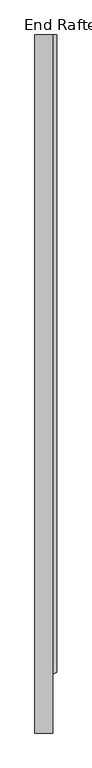
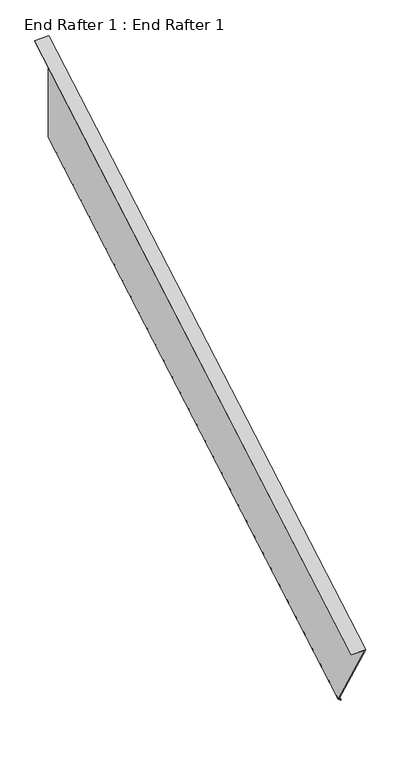
"""IFC4 building model written with IfcOpenShell, lengths in millimetres: proxy geometry, End Rafter 1 : End Rafter 1."""

from ifc_helpers import new_model, si_unit, origin, place, context, project, spatial, faceted_brep, source, transform, mapped, element, save


def end_rafter_1_end_rafter_1_416929cb(model_context):
    return source(origin(), model_context, "Body", "Brep", [
        faceted_brep([(12038.6774557, -13726.1374876, 602.0717491), (11997.4768877, -13726.1374876, 602.0717491), (11997.4768877, -13725.3422981, 600.6944404), (12037.1271862, -13725.3422981, 600.6944404), (12037.1271862, -13590.2438687, 366.6970966), (12046.6038731, -13585.5055253, 358.4900451), (12047.7096289, -13586.0584032, 359.4476577), (12038.6774557, -13590.5744898, 367.2697492), (12038.6774557, -12118.3146568, 1530.3486933), (11997.4768877, -12118.3146568, 1530.3486933), (11997.4768877, -12118.3146568, 1528.5122817), (12037.1271862, -12118.3146568, 1528.5122817), (12037.1271862, -12118.3146568, 1216.5158234), (12046.6038731, -12118.3146568, 1205.573088), (12047.7096289, -12118.3146568, 1206.8499048), (12038.6774557, -12118.3146568, 1217.2793601)], [[[0, 1, 2, 3, 4, 5, 6, 7]], [[1, 0, 8, 9]], [[2, 1, 9, 10]], [[3, 2, 10, 11]], [[4, 3, 11, 12]], [[5, 4, 12, 13]], [[6, 5, 13, 14]], [[7, 6, 14, 15]], [[0, 7, 15, 8]], [[9, 8, 15, 14, 13, 12, 11, 10]]]),
    ])


if __name__ == "__main__":
    model = new_model("IFC4")
    model_context = context("Model", 3, world=origin())
    ifc_project = project(units=[si_unit("LENGTHUNIT", "METRE", prefix="MILLI")], contexts=[model_context])
    site = spatial("IfcSite", under=ifc_project)
    building = spatial("IfcBuilding", under=site)
    placement = place(None, origin())
    end_rafter_1_end_rafter_1_shape = end_rafter_1_end_rafter_1_416929cb(model_context)
    element("IfcBuildingElementProxy", 1, Name="End Rafter 1 : End Rafter 1", ObjectType="End Rafter 1 : End Rafter 1", at=placement, inside=building, context=model_context, shape_type="MappedRepresentation", body=[
        mapped(end_rafter_1_end_rafter_1_shape, transform((0.0, 0.0, 0.0), x_axis=(1.0, 0.0, 0.0), y_axis=(0.0, 1.0, 0.0), z_axis=(0.0, 0.0, 1.0))),
    ])
    save(model, "model.ifc")
